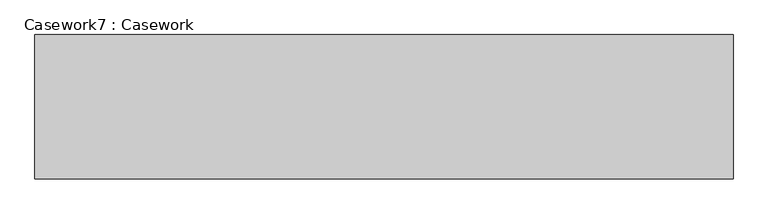
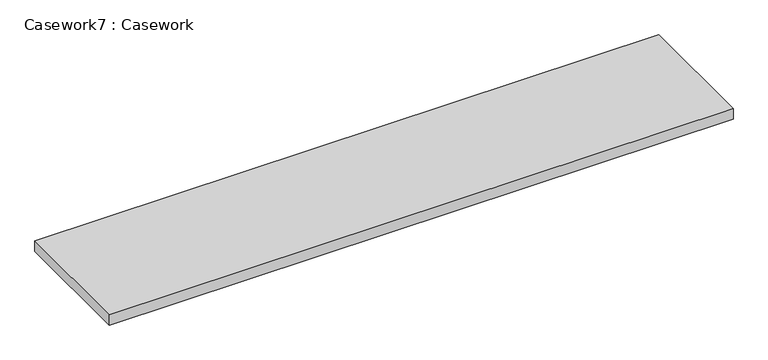
"""IFC4 building model written with IfcOpenShell, lengths in millimetres: furniture geometry, Casework7 : Casework."""

from ifc_helpers import new_model, si_unit, frame, origin, place, context, project, spatial, polyline, outline, extrude, source, transform, mapped, element, save


def casework7_casework_0eac8e9a(model_context):
    return source(origin(), model_context, "Body", "SweptSolid", [
        extrude(outline(polyline([(103813.9518383, -69727.525902), (103813.9518383, -70337.125902), (100865.465984, -70337.125902), (100865.465984, -69727.525902), (103813.9518383, -69727.525902)])), frame((0.0, 0.0, 812.8), z_axis=(0.0, 0.0, 1.0), x_axis=(1.0, 0.0, 0.0)), (0.0, 0.0, 1.0), 50.8),
    ])


if __name__ == "__main__":
    model = new_model("IFC4")
    model_context = context("Model", 3, world=origin())
    ifc_project = project(units=[si_unit("LENGTHUNIT", "METRE", prefix="MILLI")], contexts=[model_context])
    site = spatial("IfcSite", under=ifc_project)
    building = spatial("IfcBuilding", under=site)
    placement = place(None, origin())
    casework7_casework_shape = casework7_casework_0eac8e9a(model_context)
    element("IfcFurniture", 1, ObjectType="Casework7 : Casework", at=placement, inside=building, context=model_context, shape_type="MappedRepresentation", body=[
        mapped(casework7_casework_shape, transform((0.0, 0.0, 0.0), x_axis=(1.0, 0.0, 0.0), y_axis=(0.0, 1.0, 0.0), z_axis=(0.0, 0.0, 1.0))),
    ])
    save(model, "model.ifc")
